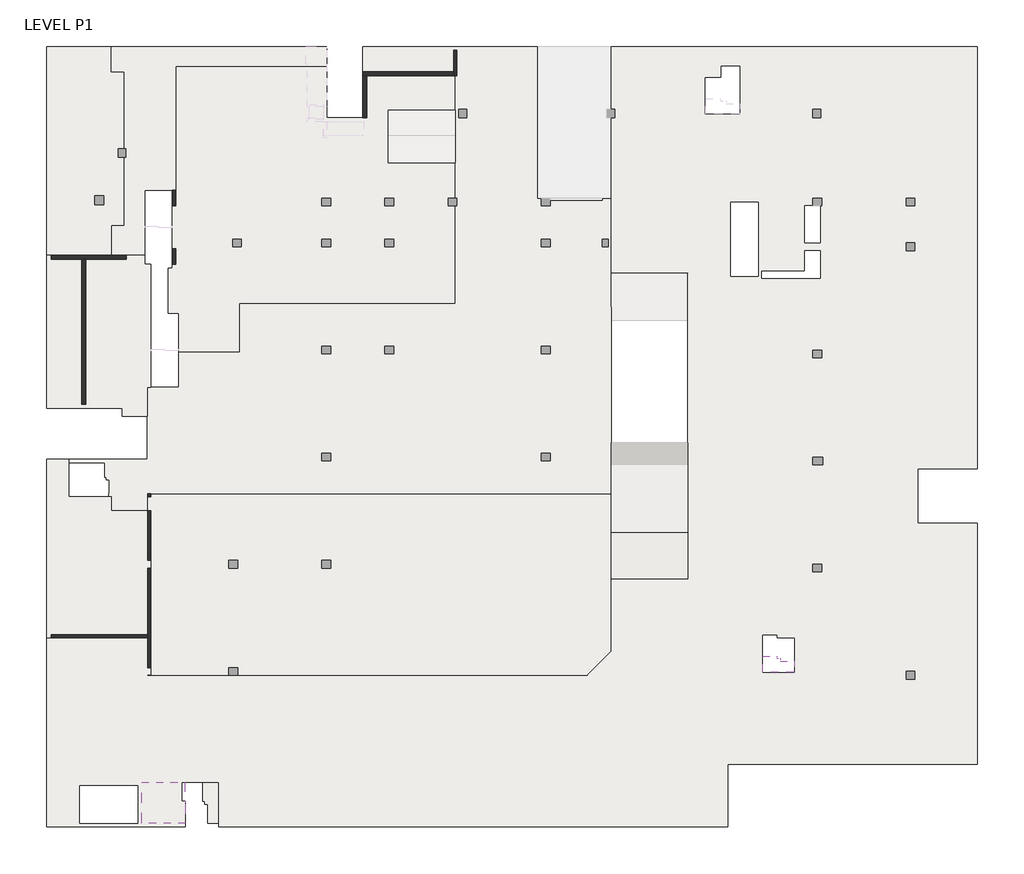
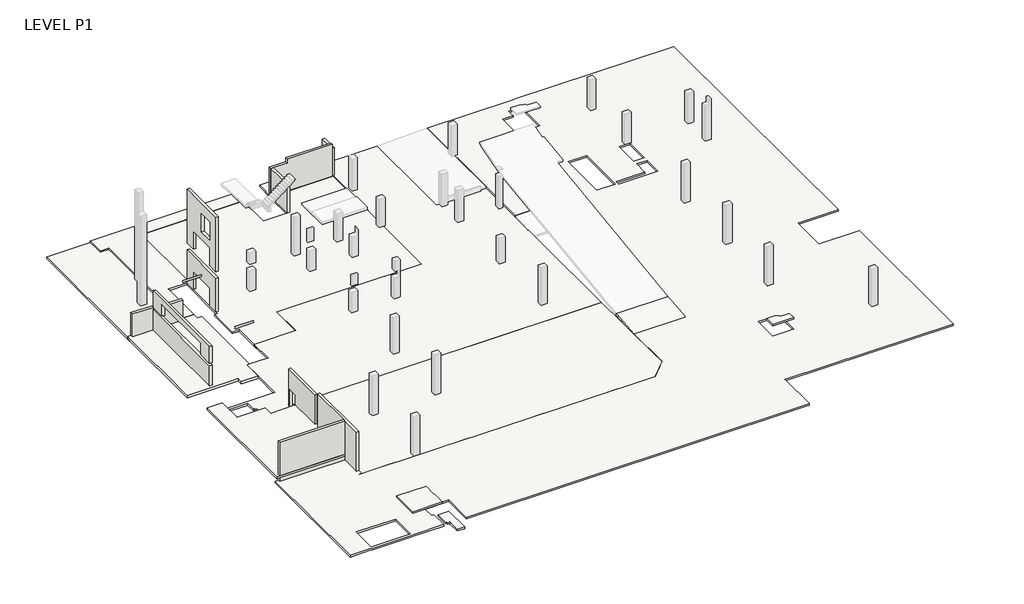
# One storey, part 1 of 2: 11 slabs, 11 walls.
"""IFC4 building model written with IfcOpenShell, lengths in millimetres."""

from ifc_helpers import new_model, si_unit, frame, origin, place, context, project, spatial, polyline, outline, extrude, faceted_brep, element, save

model = new_model("IFC4")

# Units and contexts
model_context = context("Model", 3, world=origin())
ifc_project = project(units=[si_unit("LENGTHUNIT", "METRE", prefix="MILLI")], contexts=[model_context])

# Site, building, storey
site = spatial("IfcSite", under=ifc_project)
building = spatial("IfcBuilding", under=site)
storey = spatial("IfcBuildingStorey", under=building, Name="LEVEL P1", Elevation=-5400.0)

# Slabs
placement = place(None, origin())
element("IfcSlab", 1, ObjectType="200 SLAB", at=placement, inside=storey, context=model_context, shape_type="SweptSolid", body=[
    extrude(outline(polyline([(236628.4739802, 170358.2322067), (236628.4739802, 169513.2322067), (234188.4739802, 169513.2322067), (234188.4739802, 170738.2322067), (235288.4739802, 170738.2322067), (235288.4739802, 170613.2322067), (235528.4739802, 170613.2322067), (235528.4739802, 170358.2322067), (236628.4739802, 170358.2322067)])), frame((0.0, 0.0, -4000.0), z_axis=(0.0, 0.0, 1.0), x_axis=(1.0, 0.0, 0.0)), (0.0, 0.0, 1.0), 200.0),
])
element("IfcSlab", 2, ObjectType="200 SLAB", at=placement, inside=storey, context=model_context, shape_type="Brep", body=[
    faceted_brep([(251011.1491692, 181163.2322067, -5400.0), (251011.1491692, 162563.2318341, -5400.0), (251011.1491692, 162263.2318341, -5400.0), (231436.3204833, 162263.2318341, -5400.0), (231436.3204833, 157363.2318341, -5400.0), (231136.3204833, 157363.2318341, -5400.0), (191501.3204833, 157363.2318341, -5400.0), (191501.3204833, 157663.2318341, -5400.0), (191501.3204833, 160863.2318341, -5400.0), (188606.3204833, 160863.2318341, -5400.0), (188606.3204833, 159363.2318341, -5400.0), (188896.3204833, 159363.2318341, -5400.0), (188896.3204833, 157663.2318341, -5400.0), (188896.3204833, 157363.2318341, -5400.0), (185471.3204833, 157363.2318341, -5400.0), (185171.3204833, 157363.2318341, -5400.0), (180611.3204833, 157363.2318341, -5400.0), (180311.3204833, 157363.2318341, -5400.0), (178011.1491693, 157363.2318341, -5400.0), (178011.1491693, 157663.2318341, -5400.0), (178011.1491693, 172438.2318341, -5400.0), (178361.1491693, 172438.2318341, -5400.0), (186201.1489175, 172438.2318341, -5400.0), (186201.1489175, 169263.2322067, -5400.0), (220406.1491692, 169263.2322067, -5400.0), (222296.1491692, 171153.2322067, -5400.0), (222296.1491692, 176802.6490053, -5400.0), (228296.1491692, 176802.6490053, -5400.0), (228296.1491692, 200767.6490053, -5400.0), (222296.1491692, 200767.6490053, -5400.0), (222296.1491692, 201763.2322067, -5400.0), (222296.1491692, 206663.2322067, -5400.0), (222296.1491692, 218563.2318341, -5400.0), (232375.5971201, 218563.2318341, -5400.0), (232625.5971201, 218563.2318341, -5400.0), (251011.1491692, 218563.2318341, -5400.0), (251011.1491692, 218263.2318341, -5400.0), (251011.1491692, 194163.2322067, -5400.0), (251011.1491692, 185463.2318341, -5400.0), (250711.1491692, 185463.2318341, -5400.0), (246311.1491692, 185463.2318341, -5400.0), (246311.1491692, 181163.2322067, -5400.0), (250711.1491692, 181163.2322067, -5400.0), (230930.5971201, 217012.9612391, -5400.0), (230930.5971201, 216124.5274851, -5400.0), (229682.0250868, 216124.5274851, -5400.0), (229682.0250868, 213278.2318341, -5400.0), (232375.5971201, 213278.2318341, -5400.0), (232375.5971201, 217012.9612391, -5400.0), (233812.4721706, 206363.1983002, -5400.0), (231652.4721706, 206363.1983002, -5400.0), (231652.4721706, 200548.1983002, -5400.0), (233812.4721706, 200548.1983002, -5400.0), (237452.4721706, 200923.1983002, -5400.0), (234112.4721706, 200923.1983002, -5400.0), (234112.4721706, 200548.1983002, -5400.0), (234112.4721706, 200388.1983002, -5400.0), (238671.1491692, 200388.1983002, -5400.0), (238671.1491692, 202563.2318341, -5400.0), (238111.1491692, 202563.2318341, -5400.0), (237452.4721706, 202563.2318341, -5400.0), (237452.4721706, 206063.2322067, -5400.0), (237452.4721706, 203163.2318341, -5400.0), (238111.1491692, 203163.2318341, -5400.0), (238671.1491692, 203163.2318341, -5400.0), (238671.1491692, 206063.2322067, -5400.0), (185171.3204833, 160613.2318341, -5400.0), (180611.3204833, 160613.2318341, -5400.0), (180611.3204833, 157663.2318341, -5400.0), (185171.3204833, 157663.2318341, -5400.0), (234188.4739802, 169513.2322067, -5400.0), (236628.4739802, 169513.2322067, -5400.0), (236628.4739802, 172018.2322067, -5400.0), (236628.4739802, 172153.188445, -5400.0), (235288.4739802, 172153.188445, -5400.0), (235288.4739802, 172398.2322067, -5400.0), (234188.4739802, 172398.2322067, -5400.0), (251011.1491692, 162263.2318341, -5200.0), (251011.1491692, 162563.2318341, -5200.0), (251011.1491692, 181163.2322067, -5200.0), (250711.1491692, 181163.2322067, -5200.0), (246311.1491692, 181163.2322067, -5200.0), (246311.1491692, 185463.2318341, -5200.0), (250711.1491692, 185463.2318341, -5200.0), (251011.1491692, 185463.2318341, -5200.0), (251011.1491692, 194163.2322067, -5200.0), (251011.1491692, 218263.2318341, -5200.0), (251011.1491692, 218563.2318341, -5200.0), (232625.5971201, 218563.2318341, -5200.0), (232375.5971201, 218563.2318341, -5200.0), (222296.1491692, 218563.2318341, -5200.0), (222296.1491692, 200767.6490053, -5200.0), (228296.1491692, 200767.6490053, -5200.0), (228296.1491692, 176802.6490053, -5200.0), (222296.1491692, 176802.6490053, -5200.0), (222296.1491692, 171153.2322067, -5200.0), (220406.1491692, 169263.2322067, -5200.0), (186201.1489175, 169263.2322067, -5200.0), (186201.1489175, 169863.2322067, -5200.0), (186201.1489175, 172438.2318341, -5200.0), (185951.1489175, 172438.2318341, -5200.0), (178361.1491693, 172438.2318341, -5200.0), (178011.1491693, 172438.2318341, -5200.0), (178011.1491693, 157663.2318341, -5200.0), (178011.1491693, 157363.2318341, -5200.0), (180311.3204833, 157363.2318341, -5200.0), (180611.3204833, 157363.2318341, -5200.0), (185171.3204833, 157363.2318341, -5200.0), (185471.3204833, 157363.2318341, -5200.0), (188896.3204833, 157363.2318341, -5200.0), (188896.3204833, 157663.2318341, -5200.0), (188896.3204833, 159363.2318341, -5200.0), (188606.3204833, 159363.2318341, -5200.0), (188606.3204833, 160863.2318341, -5200.0), (191501.3204833, 160863.2318341, -5200.0), (191501.3204833, 157663.2318341, -5200.0), (191501.3204833, 157363.2318341, -5200.0), (231136.3204833, 157363.2318341, -5200.0), (231436.3204833, 157363.2318341, -5200.0), (231436.3204833, 162263.2318341, -5200.0), (230930.5971201, 216124.5274851, -5200.0), (230930.5971201, 217012.9612391, -5200.0), (232375.5971201, 217012.9612391, -5200.0), (232375.5971201, 213278.2318341, -5200.0), (229682.0250868, 213278.2318341, -5200.0), (229682.0250868, 216124.5274851, -5200.0), (231652.4721706, 206363.1983002, -5200.0), (233812.4721706, 206363.1983002, -5200.0), (233812.4721706, 200548.1983002, -5200.0), (231652.4721706, 200548.1983002, -5200.0), (231652.4721706, 201773.2322067, -5200.0), (231652.4721706, 205138.2322067, -5200.0), (234112.4721706, 200923.1983002, -5200.0), (237452.4721706, 200923.1983002, -5200.0), (237452.4721706, 202563.2318341, -5200.0), (238671.1491692, 202563.2318341, -5200.0), (238671.1491692, 200388.1983002, -5200.0), (234112.4721706, 200388.1983002, -5200.0), (234112.4721706, 200548.1983002, -5200.0), (237452.4721706, 203163.2318341, -5200.0), (237452.4721706, 206063.2322067, -5200.0), (238671.1491692, 206063.2322067, -5200.0), (238671.1491692, 203163.2318341, -5200.0), (180611.3204833, 160613.2318341, -5200.0), (180971.3204833, 160613.2318341, -5200.0), (184791.3204833, 160613.2318341, -5200.0), (185171.3204833, 160613.2318341, -5200.0), (185171.3204833, 157663.2318341, -5200.0), (180611.3204833, 157663.2318341, -5200.0), (236628.4739802, 169513.2322067, -5200.0), (234188.4739802, 169513.2322067, -5200.0), (234188.4739802, 172398.2322067, -5200.0), (235288.4739802, 172398.2322067, -5200.0), (235288.4739802, 172153.188445, -5200.0), (236628.4739802, 172153.188445, -5200.0), (236628.4739802, 172018.2322067, -5200.0), (186201.1489175, 172438.2318341, -5244.7183046)], [[[0, 1, 2, 3, 4, 5, 6, 7, 8, 9, 10, 11, 12, 13, 14, 15, 16, 17, 18, 19, 20, 21, 22, 23, 24, 25, 26, 27, 28, 29, 30, 31, 32, 33, 34, 35, 36, 37, 38, 39, 40, 41, 42], [43, 44, 45, 46, 47, 48], [49, 50, 51, 52], [53, 54, 55, 56, 57, 58, 59, 60], [61, 62, 63, 64, 65], [66, 67, 68, 69], [70, 71, 72, 73, 74, 75, 76]], [[77, 78, 79, 80, 81, 82, 83, 84, 85, 86, 87, 88, 89, 90, 91, 92, 93, 94, 95, 96, 97, 98, 99, 100, 101, 102, 103, 104, 105, 106, 107, 108, 109, 110, 111, 112, 113, 114, 115, 116, 117, 118, 119], [120, 121, 122, 123, 124, 125], [126, 127, 128, 129, 130, 131], [132, 133, 134, 135, 136, 137, 138], [139, 140, 141, 142], [143, 144, 145, 146, 147, 148], [149, 150, 151, 152, 153, 154, 155]], [[2, 1, 0, 79, 78, 77]], [[18, 17, 16, 15, 14, 13, 109, 108, 107, 106, 105, 104]], [[26, 25, 95, 94]], [[27, 26, 94, 93]], [[28, 27, 93, 92]], [[23, 22, 156, 99, 98, 97]], [[3, 2, 77, 119]], [[4, 3, 119, 118]], [[20, 19, 18, 104, 103, 102]], [[24, 23, 97, 96]], [[25, 24, 96, 95]], [[22, 21, 20, 102, 101, 100, 99, 156]], [[71, 70, 150, 149]], [[6, 5, 4, 118, 117, 116]], [[8, 7, 6, 116, 115, 114]], [[9, 8, 114, 113]], [[10, 9, 113, 112]], [[11, 10, 112, 111]], [[13, 12, 11, 111, 110, 109]], [[154, 73, 72, 71, 149, 155]], [[74, 73, 154, 153]], [[75, 74, 153, 152]], [[76, 75, 152, 151]], [[70, 76, 151, 150]], [[29, 28, 92, 91]], [[32, 31, 30, 29, 91, 90]], [[35, 34, 33, 32, 90, 89, 88, 87]], [[44, 43, 121, 120]], [[45, 44, 120, 125]], [[46, 45, 125, 124]], [[47, 46, 124, 123]], [[48, 47, 123, 122]], [[43, 48, 122, 121]], [[38, 37, 36, 35, 87, 86, 85, 84]], [[40, 39, 38, 84, 83, 82]], [[41, 40, 82, 81]], [[0, 42, 41, 81, 80, 79]], [[66, 146, 145, 144, 143, 67]], [[67, 143, 148, 68]], [[68, 148, 147, 69]], [[146, 66, 69, 147]], [[49, 127, 126, 50]], [[50, 126, 131, 130, 129, 51]], [[51, 129, 128, 52]], [[127, 49, 52, 128]], [[53, 133, 132, 54]], [[54, 132, 138, 137, 56, 55]], [[56, 137, 136, 57]], [[57, 136, 135, 58]], [[58, 135, 134, 60, 59]], [[133, 53, 60, 134]], [[61, 140, 139, 62]], [[62, 139, 142, 64, 63]], [[64, 142, 141, 65]], [[140, 61, 65, 141]]]),
])
element("IfcSlab", 3, ObjectType="200 SLAB", at=placement, inside=storey, context=model_context, shape_type="Brep", body=[
    faceted_brep([(220406.1491692, 169263.2322067, -5400.0198364), (185951.1489175, 169263.2322067, -5400.0198364), (185951.1489175, 176564.5594325, -5502.8554311), (185951.1489175, 177663.2322067, -5518.3296955), (185951.1489175, 178263.2322067, -5526.7803997), (185951.1489175, 179364.2817511, -5542.2881398), (185951.1489175, 183463.2322067, -5600.0198364), (222296.1491692, 183463.2322067, -5600.0198364), (222296.1491692, 171153.2322067, -5426.6395547), (220406.1491692, 169263.2322067, -5200.0), (222296.1491692, 171153.2322067, -5226.6197183), (222296.1491692, 183463.2322067, -5400.0), (185951.1489175, 183463.2322067, -5400.0), (185951.1489175, 177663.2322067, -5318.3098592), (185951.1489175, 172438.2318341, -5244.7183046), (185951.1489175, 169263.2322067, -5200.0)], [[[0, 1, 2, 3, 4, 5, 6, 7, 8]], [[9, 10, 11, 12, 13, 14, 15]], [[8, 7, 11, 10]], [[0, 8, 10, 9]], [[1, 0, 9, 15]], [[6, 5, 4, 3, 2, 1, 15, 14, 13, 12]], [[7, 6, 12, 11]]]),
])
element("IfcSlab", 4, ObjectType="200 SLAB", at=placement, inside=storey, context=model_context, shape_type="Brep", body=[
    faceted_brep([(202803.192598, 212963.2318341, -5650.0), (202803.192598, 216583.2318341, -5650.0), (204552.1491692, 216583.2318341, -5650.0), (204852.1491692, 216583.2318341, -5650.0), (210456.1491692, 216583.2318341, -5650.0), (210456.1491692, 198003.2322067, -5650.0), (193556.1491692, 198003.2322067, -5650.0), (193556.1491692, 194203.2322067, -5650.0), (188661.1489175, 194203.2322067, -5650.0), (188361.1489175, 194203.2322067, -5650.0), (188361.1489175, 197657.6490083, -5650.0), (188361.1489175, 197658.2322067, -5650.0), (187556.1491692, 197658.2322067, -5650.0), (187556.1491692, 201193.2322067, -5650.0), (187861.1489205, 201193.2322067, -5650.0), (187861.1489205, 201493.1983002, -5650.0), (187861.1489205, 207308.1983002, -5650.0), (187861.1489205, 207608.1983002, -5650.0), (187561.1489205, 207608.1983002, -5650.0), (187561.1489205, 217623.2318341, -5650.0), (199694.4437068, 217623.2318341, -5650.0), (199994.4437068, 217623.2318341, -5650.0), (199994.4437068, 212963.2318341, -5650.0), (187556.1491692, 197658.2322067, -5450.0), (188361.1489175, 197658.2322067, -5450.0), (188361.1489175, 197657.6490083, -5450.0), (188361.1489175, 194603.2322067, -5450.0), (193156.1491692, 194603.2322067, -5450.0), (193156.1491692, 198403.2322067, -5450.0), (210056.1491692, 198403.2322067, -5450.0), (210056.1491692, 216283.2318341, -5450.0), (202803.192598, 216283.2318341, -5450.0), (202803.192598, 212963.2318341, -5450.0), (199994.4437068, 212963.2318341, -5450.0), (199994.4437068, 217023.2318341, -5450.0), (199694.4437068, 217023.2318341, -5450.0), (188161.1489205, 217023.2318341, -5450.0), (188161.1489205, 207308.2322067, -5450.0), (187861.1489205, 207308.2322067, -5450.0), (187861.1489205, 201493.1983002, -5450.0), (187861.1489205, 201193.2322067, -5450.0), (187556.1491692, 201193.2322067, -5450.0), (202803.192598, 216283.2318341, -5600.0), (202803.192598, 216583.2318341, -5600.0), (204552.1491692, 216583.2318341, -5600.0), (204852.1491692, 216583.2318341, -5600.0), (210456.1491692, 216583.2318341, -5600.0), (210456.1491692, 198003.2322067, -5600.0), (193556.1491692, 198003.2322067, -5600.0), (193556.1491692, 194203.2322067, -5600.0), (188361.1489175, 194203.2322067, -5600.0), (188361.1489175, 194603.2322067, -5600.0), (187861.1489205, 207308.2322067, -5600.0), (187861.1489205, 207608.1983002, -5600.0), (187561.1489205, 217623.2318341, -5600.0), (199694.4437068, 217623.2318341, -5600.0), (199994.4437068, 217623.2318341, -5600.0), (199994.4437068, 217023.2318341, -5600.0), (188161.1489205, 217023.2318341, -5600.0), (187561.1489205, 207608.1983002, -5600.0), (188161.1489205, 207308.2322067, -5600.0), (193156.1491692, 194603.2322067, -5600.0), (210056.1491692, 216283.2318341, -5600.0), (210056.1491692, 198403.2322067, -5600.0), (193156.1491692, 198403.2322067, -5600.0)], [[[0, 1, 2, 3, 4, 5, 6, 7, 8, 9, 10, 11, 12, 13, 14, 15, 16, 17, 18, 19, 20, 21, 22]], [[23, 24, 25, 26, 27, 28, 29, 30, 31, 32, 33, 34, 35, 36, 37, 38, 39, 40, 41]], [[1, 0, 32, 31, 42, 43]], [[4, 3, 2, 1, 43, 44, 45, 46]], [[5, 4, 46, 47]], [[6, 5, 47, 48]], [[7, 6, 48, 49]], [[9, 8, 7, 49, 50]], [[11, 10, 9, 50, 51, 26, 25, 24]], [[12, 11, 24, 23]], [[17, 16, 15, 14, 40, 39, 38, 52, 53]], [[21, 20, 19, 54, 55, 56]], [[22, 21, 56, 57, 34, 33]], [[0, 22, 33, 32]], [[13, 12, 23, 41]], [[14, 13, 41, 40]], [[58, 57, 56, 55, 54, 59, 53, 52, 60]], [[61, 51, 50, 49, 48, 47, 46, 45, 44, 43, 42, 62, 63, 64]], [[60, 52, 38, 37]], [[57, 58, 36, 35, 34]], [[58, 60, 37, 36]], [[51, 61, 27, 26]], [[61, 64, 28, 27]], [[64, 63, 29, 28]], [[63, 62, 30, 29]], [[62, 42, 31, 30]], [[18, 17, 53, 59]], [[19, 18, 59, 54]]]),
])
element("IfcSlab", 5, ObjectType="200 SLAB", at=placement, inside=storey, context=model_context, shape_type="Brep", body=[
    faceted_brep([(183697.3313273, 218563.2318341, -5765.0), (183697.3313273, 218263.2318341, -5765.0), (183697.3313273, 217193.2318341, -5765.0), (184697.3313273, 217193.2318341, -5765.0), (184697.3313273, 203922.2325529, -5765.0), (183716.1489175, 203922.2325529, -5765.0), (183716.1489175, 201882.2325529, -5765.0), (178361.1491693, 201882.2325529, -5765.0), (178011.1491693, 201882.2325529, -5765.0), (178011.1491693, 218263.2318341, -5765.0), (178011.1491693, 218563.2318341, -5765.0), (178011.1491693, 218563.2318341, -5565.0), (178011.1491693, 218263.2318341, -5565.0), (178011.1491693, 202193.1983002, -5565.0), (178361.1491693, 202193.1983002, -5565.0), (183116.1489175, 202193.1983002, -5565.0), (183116.1489175, 204522.2325529, -5565.0), (184097.3313273, 204522.2325529, -5565.0), (184097.3313273, 216593.2318341, -5565.0), (183097.3313273, 216593.2318341, -5565.0), (183097.3313273, 218563.2318341, -5565.0), (183697.3313273, 218563.2318341, -5600.0), (183697.3313273, 217193.2318341, -5600.0), (184697.3313273, 217193.2318341, -5600.0), (184697.3313273, 203922.2325529, -5600.0), (183716.1489175, 203922.2325529, -5600.0), (183716.1489175, 202193.1983002, -5600.0), (183716.1489175, 202193.1983002, -5700.0), (183716.1489175, 201882.2325529, -5700.0), (178011.1491693, 201882.2325529, -5700.0), (178011.1491693, 202193.1983002, -5700.0), (183097.3313273, 218563.2318341, -5600.0), (183116.1489175, 202193.1983002, -5600.0), (184097.3313273, 204522.2325529, -5600.0), (183116.1489175, 204522.2325529, -5600.0), (183097.3313273, 216593.2318341, -5600.0), (184097.3313273, 216593.2318341, -5600.0)], [[[0, 1, 2, 3, 4, 5, 6, 7, 8, 9, 10]], [[11, 12, 13, 14, 15, 16, 17, 18, 19, 20]], [[2, 1, 0, 21, 22]], [[3, 2, 22, 23]], [[4, 3, 23, 24]], [[5, 4, 24, 25]], [[6, 5, 25, 26, 27, 28]], [[8, 7, 6, 28, 29]], [[10, 9, 8, 29, 30, 13, 12, 11]], [[0, 10, 11, 20, 31, 21]], [[27, 30, 29, 28]], [[30, 27, 26, 32, 15, 14, 13]], [[33, 34, 32, 26, 25, 24, 23, 22, 21, 31, 35, 36]], [[32, 34, 16, 15]], [[34, 33, 17, 16]], [[33, 36, 18, 17]], [[36, 35, 19, 18]], [[35, 31, 20, 19]]]),
])
element("IfcSlab", 6, ObjectType="200 SLAB", at=placement, inside=storey, context=model_context, shape_type="Brep", body=[
    faceted_brep([(222296.1491692, 207263.2322067, -5600.0), (222296.1491692, 183463.2322067, -5600.0), (186201.1489175, 183463.2322067, -5600.0), (186201.1489175, 181957.2325529, -5600.0), (182884.3204833, 181957.2325529, -5600.0), (182884.3204833, 183507.2325529, -5600.0), (182946.3204833, 183507.2325529, -5600.0), (182946.3204833, 184606.9170321, -5600.0), (182691.3204833, 184606.9170321, -5600.0), (182691.3204833, 184807.2325529, -5600.0), (182566.3204833, 184807.2325529, -5600.0), (182566.3204833, 185907.2325529, -5600.0), (179761.3204833, 185907.2325529, -5600.0), (179761.3204833, 186207.2325529, -5600.0), (185901.1489175, 186207.2325529, -5600.0), (185901.1489175, 189578.8314181, -5600.0), (185901.1489175, 191542.6490083, -5600.0), (185901.1489175, 191842.6490083, -5600.0), (185901.1489175, 191843.2322067, -5600.0), (186201.1489175, 191843.2322067, -5600.0), (186201.1489175, 191842.6490083, -5600.0), (188361.1489175, 191842.6490083, -5600.0), (188361.1489175, 194203.2322067, -5600.0), (188361.1489175, 194603.2322067, -5600.0), (193156.1491692, 194603.2322067, -5600.0), (193156.1491692, 198403.2322067, -5600.0), (210056.1491692, 198403.2322067, -5600.0), (210056.1491692, 216283.2318341, -5600.0), (202803.192598, 216283.2318341, -5600.0), (202803.192598, 216583.2318341, -5600.0), (202803.192598, 218263.2318341, -5600.0), (202803.192598, 218563.2318341, -5600.0), (216496.1491692, 218563.2318341, -5600.0), (216496.1491692, 218263.2318341, -5600.0), (216496.1491692, 207263.2322067, -5600.0), (222296.1491692, 183463.2322067, -5400.0), (222296.1491692, 207263.2322067, -5400.0), (216496.1491692, 207263.2322067, -5400.0), (216496.1491692, 218263.2318341, -5400.0), (216496.1491692, 218563.2318341, -5400.0), (202803.192598, 218563.2318341, -5400.0), (202803.192598, 218263.2318341, -5400.0), (202803.192598, 216283.2318341, -5400.0), (210056.1491692, 216283.2318341, -5400.0), (210056.1491692, 198403.2322067, -5400.0), (193156.1491692, 198403.2322067, -5400.0), (193156.1491692, 194603.2322067, -5400.0), (188361.1489175, 194603.2322067, -5400.0), (188361.1489175, 191842.6490083, -5400.0), (186201.1489175, 191842.6490083, -5400.0), (186201.1489175, 191843.2322067, -5400.0), (185901.1489175, 191843.2322067, -5400.0), (185901.1489175, 191842.6490083, -5400.0), (185901.1489175, 191542.6490083, -5400.0), (185901.1489175, 189578.8314181, -5400.0), (185901.1489175, 186207.2325529, -5400.0), (179761.3204833, 186207.2325529, -5400.0), (179761.3204833, 185907.2325529, -5400.0), (182566.3204833, 185907.2325529, -5400.0), (182566.3204833, 184807.2325529, -5400.0), (182691.3204833, 184807.2325529, -5400.0), (182691.3204833, 184606.9170321, -5400.0), (182946.3204833, 184606.9170321, -5400.0), (182946.3204833, 183507.2325529, -5400.0), (182884.3204833, 183507.2325529, -5400.0), (182884.3204833, 183257.2325529, -5400.0), (182884.3204833, 181957.2325529, -5400.0), (183084.3204833, 181957.2325529, -5400.0), (185951.1489175, 181957.2325529, -5400.0), (186201.1489175, 181957.2325529, -5400.0), (186201.1489175, 182167.2325529, -5400.0), (186201.1489175, 183267.2325529, -5400.0), (186201.1489175, 183463.2322067, -5400.0), (188361.1489175, 194603.2322067, -5450.0), (193156.1491692, 194603.2322067, -5450.0), (193156.1491692, 198403.2322067, -5450.0), (210056.1491692, 198403.2322067, -5450.0), (210056.1491692, 216283.2318341, -5450.0), (202803.192598, 216283.2318341, -5450.0)], [[[0, 1, 2, 3, 4, 5, 6, 7, 8, 9, 10, 11, 12, 13, 14, 15, 16, 17, 18, 19, 20, 21, 22, 23, 24, 25, 26, 27, 28, 29, 30, 31, 32, 33, 34]], [[35, 36, 37, 38, 39, 40, 41, 42, 43, 44, 45, 46, 47, 48, 49, 50, 51, 52, 53, 54, 55, 56, 57, 58, 59, 60, 61, 62, 63, 64, 65, 66, 67, 68, 69, 70, 71, 72]], [[1, 0, 36, 35]], [[2, 1, 35, 72]], [[14, 13, 56, 55]], [[18, 17, 16, 15, 14, 55, 54, 53, 52, 51]], [[47, 73, 23, 22, 21, 48]], [[56, 13, 12, 57]], [[3, 2, 72, 71, 70, 69]], [[4, 3, 69, 68, 67, 66]], [[5, 4, 66, 65, 64]], [[34, 33, 32, 39, 38, 37]], [[0, 34, 37, 36]], [[24, 23, 73, 47, 46, 74]], [[25, 24, 74, 46, 45, 75]], [[26, 25, 75, 45, 44, 76]], [[27, 26, 76, 44, 43, 77]], [[32, 31, 40, 39]], [[28, 27, 77, 43, 42, 78]], [[31, 30, 29, 28, 78, 42, 41, 40]], [[18, 51, 50, 19]], [[63, 6, 5, 64]], [[9, 8, 61, 60]], [[12, 11, 58, 57]], [[6, 63, 62, 7]], [[61, 8, 7, 62]], [[9, 60, 59, 10]], [[58, 11, 10, 59]], [[49, 20, 19, 50]], [[20, 49, 48, 21]]]),
    faceted_brep([(183097.3313273, 218563.2318341, -5600.0), (183697.3313273, 218563.2318341, -5600.0), (193106.1491692, 218563.2318341, -5600.0), (199994.4437068, 218563.2318341, -5600.0), (199994.4437068, 218263.2318341, -5600.0), (199994.4437068, 217623.2318341, -5600.0), (199994.4437068, 217023.2318341, -5600.0), (188161.1489205, 217023.2318341, -5600.0), (188161.1489205, 207608.1983002, -5600.0), (188161.1489205, 207308.2322067, -5600.0), (187861.1489205, 207308.2280718, -5600.0), (185701.1489205, 207308.1983002, -5600.0), (185701.1489205, 202193.1983002, -5600.0), (185701.1489205, 202182.2325529, -5600.0), (183116.1489175, 202182.2325529, -5600.0), (183116.1489175, 202193.1983002, -5600.0), (183116.1489175, 204522.2325529, -5600.0), (184097.3313273, 204522.2325529, -5600.0), (184097.3313273, 216593.2318341, -5600.0), (183097.3313273, 216593.2318341, -5600.0), (199994.4437068, 218563.2318341, -5400.0), (193106.1491692, 218563.2318341, -5400.0), (183097.3313273, 218563.2318341, -5400.0), (183097.3313273, 216593.2318341, -5400.0), (184097.3313273, 216593.2318341, -5400.0), (184097.3313273, 204522.2325529, -5400.0), (183116.1489175, 204522.2325529, -5400.0), (183116.1489175, 202193.1983002, -5400.0), (183116.1489175, 202182.2325529, -5400.0), (185701.1489205, 202182.2325529, -5400.0), (185701.1489205, 207308.1983002, -5400.0), (188161.1489205, 207308.2322067, -5400.0), (188161.1489205, 207608.1983002, -5400.0), (188161.1489205, 217023.2318341, -5400.0), (199694.4437068, 217023.2318341, -5400.0), (199994.4437068, 217023.2318341, -5400.0), (199994.4437068, 218263.2318341, -5400.0), (183097.3313273, 218563.2318341, -5565.0), (188161.1489205, 207308.2322067, -5450.0), (199994.4437068, 217023.2318341, -5450.0), (188161.1489205, 217023.2318341, -5450.0), (183116.1489175, 204522.2325529, -5565.0), (184097.3313273, 204522.2325529, -5565.0), (184097.3313273, 216593.2318341, -5565.0), (183097.3313273, 216593.2318341, -5565.0)], [[[0, 1, 2, 3, 4, 5, 6, 7, 8, 9, 10, 11, 12, 13, 14, 15, 16, 17, 18, 19]], [[20, 21, 22, 23, 24, 25, 26, 27, 28, 29, 30, 31, 32, 33, 34, 35, 36]], [[3, 2, 1, 0, 37, 22, 21, 20]], [[9, 38, 31, 30, 11, 10]], [[6, 5, 4, 3, 20, 36, 35, 39]], [[7, 6, 39, 35, 34, 33, 40]], [[9, 8, 7, 40, 33, 32, 31, 38]], [[14, 13, 29, 28]], [[16, 15, 14, 28, 27, 26, 41]], [[17, 16, 41, 26, 25, 42]], [[18, 17, 42, 25, 24, 43]], [[19, 18, 43, 24, 23, 44]], [[0, 19, 44, 23, 22, 37]], [[11, 30, 29, 13, 12]]]),
])
element("IfcSlab", 7, ObjectType="200 SLAB", at=placement, inside=storey, context=model_context, shape_type="SweptSolid", body=[
    extrude(outline(polyline([(185471.3204833, 157663.2318341), (185471.3204833, 160863.2318341), (188861.3204833, 160863.2318341), (188861.3204833, 159363.2318341), (188871.3204833, 159363.2318341), (188871.3204833, 159163.2318341), (188896.3204833, 159163.2318341), (188896.3204833, 157663.2318341), (185471.3204833, 157663.2318341)])), frame((0.0, 0.0, -2800.0), z_axis=(0.0, 0.0, 1.0), x_axis=(1.0, 0.0, 0.0)), (0.0, 0.0, 1.0), 200.0),
])
element("IfcSlab", 8, ObjectType="200 SLAB", at=placement, inside=storey, context=model_context, shape_type="SweptSolid", body=[
    extrude(outline(polyline([(191501.3204833, 160863.2318341), (191501.3204833, 157663.3497398), (190656.3204833, 157663.3497398), (190656.3204833, 159163.2318341), (190401.3204833, 159163.2318341), (190401.3204833, 159363.2318341), (190276.3204833, 159363.2318341), (190276.3204833, 160863.2318341), (191501.3204833, 160863.2318341)])), frame((0.0, 0.0, -6800.0), z_axis=(0.0, 0.0, 1.0), x_axis=(1.0, 0.0, 0.0)), (0.0, 0.0, 1.0), 200.0),
])
element("IfcSlab", 9, ObjectType="225 SLAB", at=placement, inside=storey, context=model_context, shape_type="Brep", body=[
    faceted_brep([(228296.1491692, 176802.6490053, -5425.6377011), (222296.1491692, 176802.6490053, -5425.6377011), (222296.1491692, 180452.6490053, -5150.6377011), (228296.1491692, 180452.6490053, -5150.6377011), (228296.1491692, 179797.4766746, -5200.0), (228296.1491692, 177142.93122, -5400.0), (228296.1491692, 176802.6490053, -5200.0), (228296.1491692, 180452.6490053, -4925.0), (222296.1491692, 180452.6490053, -4925.0), (222296.1491692, 176802.6490053, -5200.0), (228296.1491692, 176802.6490053, -5400.0), (222296.1491692, 176802.6490053, -5400.0)], [[[0, 1, 2, 3, 4, 5]], [[6, 7, 8, 9]], [[7, 6, 10, 0, 5, 4, 3]], [[1, 0, 10, 6, 9, 11]], [[2, 1, 11, 9, 8]], [[3, 2, 8, 7]]]),
])
element("IfcSlab", 10, ObjectType="275 TRANSFER SLAB", at=placement, inside=storey, context=model_context, shape_type="Brep", body=[
    faceted_brep([(186201.1489175, 172188.2318341, -4775.0), (185951.1489175, 172188.2318341, -4775.0), (178361.1491693, 172188.2318341, -4775.0), (178011.1491693, 172188.2318341, -4775.0), (178011.1491693, 186207.2325529, -4775.0), (178361.1491693, 186207.2325529, -4775.0), (179761.3204833, 186207.2325529, -4775.0), (179761.3204833, 185907.2325529, -4775.0), (179761.3204833, 183507.2325529, -4775.0), (179761.3204833, 183257.2325529, -4775.0), (182884.3204833, 183257.2325529, -4775.0), (183084.3204833, 183257.2325529, -4775.0), (183084.3204833, 182157.2325529, -4775.0), (185951.1489175, 182157.2325529, -4775.0), (186201.1489175, 182157.2325529, -4775.0), (186201.1489175, 178263.2322067, -4775.0), (186201.1489175, 177663.2322067, -4775.0), (186201.1489175, 172188.2318341, -4500.0), (186201.1489175, 177663.2322067, -4500.0), (186201.1489175, 178263.2322067, -4500.0), (186201.1489175, 182157.2325529, -4500.0), (185951.1489175, 182157.2325529, -4500.0), (183084.3204833, 182157.2325529, -4500.0), (183084.3204833, 183257.2325529, -4500.0), (179761.3204833, 183257.2325529, -4500.0), (179761.3204833, 183507.2325529, -4500.0), (179761.3204833, 185907.2325529, -4500.0), (179761.3204833, 186207.2325529, -4500.0), (178361.1491693, 186207.2325529, -4500.0), (178011.1491693, 186207.2325529, -4500.0), (178011.1491693, 172188.2318341, -4500.0), (178361.1491693, 172188.2318341, -4500.0), (185951.1489175, 172188.2318341, -4500.0)], [[[0, 1, 2, 3, 4, 5, 6, 7, 8, 9, 10, 11, 12, 13, 14, 15, 16]], [[17, 18, 19, 20, 21, 22, 23, 24, 25, 26, 27, 28, 29, 30, 31, 32]], [[3, 2, 1, 0, 17, 32, 31, 30]], [[4, 3, 30, 29]], [[6, 5, 4, 29, 28, 27]], [[9, 8, 7, 6, 27, 26, 25, 24]], [[11, 10, 9, 24, 23]], [[0, 16, 15, 14, 20, 19, 18, 17]], [[12, 11, 23, 22]], [[14, 13, 12, 22, 21, 20]]]),
])
element("IfcSlab", 11, ObjectType="300 TRANSFER SLAB", at=placement, inside=storey, context=model_context, shape_type="Brep", body=[
    faceted_brep([(186201.1489175, 201493.1983002, -5700.0), (186201.1489175, 201193.1983002, -5700.0), (186201.1489175, 197657.6490083, -5700.0), (186201.1489175, 191842.6490083, -5700.0), (186201.1489175, 189878.8314181, -5700.0), (186201.1489175, 189578.8314181, -5700.0), (185901.1489175, 189578.8314181, -5700.0), (184256.1489175, 189578.8314181, -5700.0), (183961.3204833, 189578.8314181, -5700.0), (183961.3204833, 190207.2325529, -5700.0), (183956.1489175, 190207.2325529, -5700.0), (178011.1491693, 190207.2325529, -5700.0), (178011.1491693, 190507.2325529, -5700.0), (178011.1491693, 201882.2325529, -5700.0), (178011.1491693, 202193.1983002, -5700.0), (183716.1489175, 202193.1983002, -5700.0), (185401.1489205, 202193.1983002, -5700.0), (185701.1489205, 202193.1983002, -5700.0), (185701.1489205, 201493.1983002, -5700.0), (178011.1491693, 202193.1983002, -5400.0), (178011.1491693, 201882.2325529, -5400.0), (178011.1491693, 190507.2325529, -5400.0), (178011.1491693, 190207.2325529, -5400.0), (183956.1489175, 190207.2325529, -5400.0), (183961.3204833, 190207.2325529, -5400.0), (183961.3204833, 189578.8314181, -5400.0), (184256.1489175, 189578.8314181, -5400.0), (185901.1489175, 189578.8314181, -5400.0), (185901.1489175, 191843.2322067, -5400.0), (186201.1489175, 191843.2322067, -5400.0), (186201.1489175, 197657.6490083, -5400.0), (186201.1489175, 201193.1983002, -5400.0), (186201.1489175, 201493.1983002, -5400.0), (185701.1489205, 201493.1983002, -5400.0), (185701.1489205, 202182.2325529, -5400.0), (184256.1489175, 202182.2325529, -5400.0), (183116.1489175, 202182.2325529, -5400.0), (183116.1489175, 202193.1983002, -5400.0), (178361.1491693, 202193.1983002, -5400.0), (186201.1489175, 191843.2322067, -5600.0), (186201.1489175, 191842.6490083, -5600.0), (186201.1489175, 189578.8314181, -5600.0), (185901.1489175, 189578.8314181, -5600.0), (178011.1491693, 202193.1983002, -5565.0), (183116.1489175, 202193.1983002, -5565.0), (183116.1489175, 202193.1983002, -5600.0), (183716.1489175, 202193.1983002, -5600.0), (185401.1489205, 202193.1983002, -5600.0), (185701.1489205, 202193.1983002, -5600.0), (185701.1489205, 202182.2325529, -5600.0), (185901.1489175, 191843.2322067, -5600.0), (183116.1489175, 202182.2325529, -5600.0)], [[[0, 1, 2, 3, 4, 5, 6, 7, 8, 9, 10, 11, 12, 13, 14, 15, 16, 17, 18]], [[19, 20, 21, 22, 23, 24, 25, 26, 27, 28, 29, 30, 31, 32, 33, 34, 35, 36, 37, 38]], [[5, 4, 3, 2, 1, 0, 32, 31, 30, 29, 39, 40, 41]], [[6, 5, 41, 42, 27, 26, 25, 8, 7]], [[22, 11, 10, 9, 24, 23]], [[14, 13, 12, 11, 22, 21, 20, 19, 43]], [[17, 16, 15, 14, 43, 19, 38, 37, 44, 45, 46, 47, 48]], [[24, 9, 8, 25]], [[18, 17, 48, 49, 34, 33]], [[0, 18, 33, 32]], [[39, 50, 42, 41, 40]], [[51, 49, 48, 47, 46, 45]], [[50, 28, 27, 42]], [[50, 39, 29, 28]], [[49, 51, 36, 35, 34]], [[36, 51, 45, 44, 37]]]),
])

# Walls
element("IfcWall", 12, ObjectType="200 WALL BEAM", at=placement, inside=storey, context=model_context, shape_type="Brep", body=[
    faceted_brep([(183084.3204833, 181957.2325529, -5400.0), (183084.3204833, 182157.2325529, -5400.0), (183084.3204833, 183257.2325529, -5400.0), (183084.3204833, 183257.2325529, -4775.0), (183084.3204833, 182157.2325529, -4775.0), (183084.3204833, 181957.2325529, -4775.0), (182884.3204833, 183257.2325529, -5400.0), (182884.3204833, 181957.2325529, -5400.0), (182884.3204833, 181957.2325529, -4775.0), (182884.3204833, 183257.2325529, -4775.0)], [[[0, 1, 2, 3, 4, 5]], [[6, 7, 8, 9]], [[2, 1, 0, 7, 6]], [[2, 6, 9, 3]], [[7, 0, 5, 8]], [[4, 3, 9, 8, 5]]]),
])
element("IfcWall", 13, ObjectType="200 WALL BEAM", at=placement, inside=storey, context=model_context, shape_type="SweptSolid", body=[
    extrude(outline(polyline([(183084.3204833, 182157.2325529), (185951.1489175, 182157.2325529), (185951.1489175, 181957.2325529), (183084.3204833, 181957.2325529), (183084.3204833, 182157.2325529)])), frame((0.0, 0.0, -5400.0), z_axis=(0.0, 0.0, 1.0), x_axis=(1.0, 0.0, 0.0)), (0.0, 0.0, 1.0), 625.0),
])
element("IfcWall", 14, ObjectType="250 WALL", at=placement, inside=storey, context=model_context, shape_type="Brep", body=[
    faceted_brep([(210196.1491692, 216283.2318341, -5400.0), (210196.1491692, 218263.2318341, -5400.0), (210196.1491692, 218263.2318341, -2018.6766939), (210196.1491692, 216283.2318341, -1975.6992059), (209946.1491692, 216283.2318341, -5400.0), (209946.1491692, 216283.2318341, -1975.6992059), (209946.1491692, 218263.2318341, -2018.6766939), (209946.1491692, 218263.2318341, -5400.0), (209946.1491692, 216583.2318341, -5400.0)], [[[0, 1, 2, 3]], [[4, 5, 6, 7, 8]], [[1, 0, 4, 8, 7]], [[2, 1, 7, 6]], [[0, 3, 5, 4]], [[3, 2, 6, 5]]]),
])
element("IfcWall", 15, ObjectType="250 WALL", at=placement, inside=storey, context=model_context, shape_type="Brep", body=[
    faceted_brep([(186201.1489175, 178263.2322067, -5400.0), (186201.1489175, 181957.2325529, -5400.0), (186201.1489175, 182167.2325529, -5400.0), (186201.1489175, 182167.2325529, -3250.0), (186201.1489175, 183267.2325529, -3250.0), (186201.1489175, 183267.2325529, -5400.0), (186201.1489175, 183463.2322067, -5400.0), (186201.1489175, 183507.2325529, -5400.0), (186201.1489175, 183507.2325529, -860.0), (186201.1489175, 178963.2322067, -860.0), (186201.1489175, 178263.2322067, -860.0), (186201.1489175, 178263.2322067, -4500.0), (186201.1489175, 182157.2325529, -4500.0), (186201.1489175, 182157.2325529, -4775.0), (186201.1489175, 178263.2322067, -4775.0), (185951.1489175, 182167.2325529, -5400.0), (185951.1489175, 182157.2325529, -5400.0), (185951.1489175, 181957.2325529, -5400.0), (185951.1489175, 178263.2322067, -5400.0), (185951.1489175, 178263.2322067, -4885.0), (185951.1489175, 178263.2322067, -4775.0), (185951.1489175, 179363.2322067, -4775.0), (185951.1489175, 181957.2325529, -4775.0), (185951.1489175, 182157.2325529, -4775.0), (185951.1489175, 182157.2325529, -4500.0), (185951.1489175, 178263.2322067, -4500.0), (185951.1489175, 178263.2322067, -1630.0), (185951.1489175, 178263.2322067, -860.0), (185951.1489175, 178963.2322067, -860.0), (185951.1489175, 183507.2325529, -860.0), (185951.1489175, 183507.2325529, -5400.0), (185951.1489175, 183267.2325529, -5400.0), (185951.1489175, 183267.2325529, -3250.0), (185951.1489175, 182167.2325529, -3250.0)], [[[0, 1, 2, 3, 4, 5, 6, 7, 8, 9, 10, 11, 12, 13, 14]], [[15, 16, 17, 18, 19, 20, 21, 22, 23, 24, 25, 26, 27, 28, 29, 30, 31, 32, 33]], [[0, 18, 17, 16, 15, 2, 1]], [[7, 6, 5, 31, 30]], [[18, 0, 14, 20, 19]], [[10, 27, 26, 25, 11]], [[33, 3, 2, 15]], [[3, 33, 32, 4]], [[4, 32, 31, 5]], [[7, 30, 29, 8]], [[10, 9, 8, 29, 28, 27]], [[13, 23, 22, 21, 20, 14]], [[24, 12, 11, 25]], [[23, 13, 12, 24]]]),
])
element("IfcWall", 16, ObjectType="250 WALL", at=placement, inside=storey, context=model_context, shape_type="Brep", body=[
    faceted_brep([(186201.1489175, 177663.2322067, -4775.0), (186201.1489175, 172188.2318341, -4775.0), (186201.1489175, 172188.2318341, -4500.0), (186201.1489175, 177663.2322067, -4500.0), (186201.1489175, 177663.2322067, -860.0), (186201.1489175, 177663.2322067, -380.0), (186201.1489175, 170563.2322067, -380.0), (186201.1489175, 169863.2322067, -380.0), (186201.1489175, 169863.2322067, -5200.0), (186201.1489175, 172438.2318341, -5200.0), (186201.1489175, 172438.2318341, -5244.7183046), (186201.1489175, 177663.2322067, -5318.3098592), (185951.1489175, 172188.2318341, -4775.0), (185951.1489175, 172438.2318341, -4775.0), (185951.1489175, 176563.2322067, -4775.0), (185951.1489175, 177663.2322067, -4775.0), (185951.1489175, 177663.2322067, -4885.0), (185951.1489175, 177663.2322067, -5318.3098592), (185951.1489175, 172438.2318341, -5244.7183046), (185951.1489175, 172438.2318341, -5200.0), (185951.1489175, 172188.2318341, -5200.0), (185951.1489175, 169863.2322067, -5200.0), (185951.1489175, 169863.2322067, -1630.0), (185951.1489175, 169863.2322067, -380.0), (185951.1489175, 170563.2322067, -380.0), (185951.1489175, 172188.2318341, -380.0), (185951.1489175, 172438.2318341, -380.0), (185951.1489175, 177663.2322067, -380.0), (185951.1489175, 177663.2322067, -860.0), (185951.1489175, 177663.2322067, -1630.0), (185951.1489175, 177663.2322067, -4500.0), (185951.1489175, 172438.2318341, -4500.0), (185951.1489175, 172188.2318341, -4500.0)], [[[0, 1, 2, 3, 4, 5, 6, 7, 8, 9, 10, 11]], [[12, 13, 14, 15, 16, 17, 18, 19, 20, 21, 22, 23, 24, 25, 26, 27, 28, 29, 30, 31, 32]], [[15, 0, 11, 17, 16]], [[3, 30, 29, 28, 27, 5, 4]], [[7, 23, 22, 21, 8]], [[12, 1, 0, 15, 14, 13]], [[2, 32, 31, 30, 3]], [[1, 12, 32, 2]], [[7, 6, 5, 27, 26, 25, 24, 23]], [[17, 11, 10, 18]], [[19, 9, 8, 21, 20]], [[9, 19, 18, 10]]]),
])
element("IfcWall", 17, ObjectType="250 WALL", at=placement, inside=storey, context=model_context, shape_type="SweptSolid", body=[
    extrude(outline(polyline([(178361.1491693, 172188.2318341), (178361.1491693, 172438.2318341), (185951.1489175, 172438.2318341), (185951.1489175, 172188.2318341), (178361.1491693, 172188.2318341)])), frame((0.0, 0.0, -5200.0), z_axis=(0.0, 0.0, 1.0), x_axis=(1.0, 0.0, 0.0)), (0.0, 0.0, 1.0), 425.0),
    extrude(outline(polyline([(185951.1489175, 172188.2318341), (178361.1491693, 172188.2318341), (178361.1491693, 172438.2318341), (185951.1489175, 172438.2318341), (185951.1489175, 172188.2318341)])), frame((0.0, 0.0, -4500.0), z_axis=(0.0, 0.0, 1.0), x_axis=(1.0, 0.0, 0.0)), (0.0, 0.0, 1.0), 4120.0),
])
element("IfcWall", 18, ObjectType="300 WALL", at=placement, inside=storey, context=model_context, shape_type="SweptSolid", body=[
    extrude(outline(polyline([(190507.2325529, -560.0), (201882.2325529, -560.0), (201882.2325529, -2600.0), (200082.2325529, -2600.0), (200082.2325529, -1200.0), (192307.2325529, -1200.0), (192307.2325529, -2600.0), (190507.2325529, -2600.0), (190507.2325529, -560.0)])), frame((180770.5317503, 0.0, 0.0), z_axis=(1.0, 0.0, 0.0), x_axis=(0.0, 1.0, 0.0)), (0.0, 0.0, 1.0), 300.0),
    extrude(outline(polyline([(180770.5317503, 190507.2325529), (180770.5317503, 201882.2325529), (181070.5317503, 201882.2325529), (181070.5317503, 190507.2325529), (180770.5317503, 190507.2325529)])), frame((0.0, 0.0, -5400.0), z_axis=(0.0, 0.0, 1.0), x_axis=(1.0, 0.0, 0.0)), (0.0, 0.0, 1.0), 2500.0),
])
element("IfcWall", 19, ObjectType="300 WALL", at=placement, inside=storey, context=model_context, shape_type="Brep", body=[
    faceted_brep([(209946.1491692, 216583.2318341, -5400.0), (202803.192598, 216583.2318341, -5400.0), (202803.192598, 216583.2318341, -1983.133955), (204687.7148824, 216583.2318341, -1983.133955), (204687.7148824, 216583.2318341, -1490.0), (209946.1491692, 216583.2318341, -1490.0), (202803.192598, 216283.2318341, -5400.0), (209946.1491692, 216283.2318341, -5400.0), (209946.1491692, 216283.2318341, -1975.6992059), (209946.1491692, 216283.2318341, -1490.0), (204687.7148824, 216283.2318341, -1490.0), (204687.7148824, 216283.2318341, -1976.7632877), (203103.192598, 216283.2318341, -1976.7632877), (202803.192598, 216283.2318341, -1976.7632877)], [[[0, 1, 2, 3, 4, 5]], [[6, 7, 8, 9, 10, 11, 12, 13]], [[1, 0, 7, 6]], [[1, 6, 13, 2]], [[9, 5, 4, 10]], [[0, 5, 9, 8, 7]], [[11, 3, 2, 13, 12]], [[3, 11, 10, 4]]]),
])
element("IfcWall", 20, ObjectType="300 WALL", at=placement, inside=storey, context=model_context, shape_type="Brep", body=[
    faceted_brep([(188161.1489205, 202718.2322067, -480.0), (188161.1489205, 202718.2322067, 1755.0), (188161.1489205, 206083.2322067, 1755.0), (188161.1489205, 206083.2322067, -480.0), (188161.1489205, 207308.1983002, -480.0), (188161.1489205, 207308.1983002, 5600.0), (188161.1489205, 207308.1983002, 6200.0), (188161.1489205, 201493.1983002, 6200.0), (188161.1489205, 201493.1983002, -480.0), (188161.1489205, 204400.0326131, 4905.0), (188161.1489205, 204400.0326131, 2670.0), (188161.1489205, 202710.0326131, 2670.0), (188161.1489205, 202710.0326131, 4905.0), (187861.1489205, 202718.2322067, 1755.0), (187861.1489205, 202718.2322067, -480.0), (187861.1489205, 201493.1983002, -480.0), (187861.1489205, 201493.1983002, 6200.0), (187861.1489205, 207308.1983002, 6200.0), (187861.1489205, 207308.1983002, -480.0), (187861.1489205, 206083.2322067, -480.0), (187861.1489205, 206083.2322067, 1755.0), (187861.1489205, 204400.0326131, 2670.0), (187861.1489205, 204400.0326131, 4905.0), (187861.1489205, 202710.0326131, 4905.0), (187861.1489205, 202710.0326131, 2670.0)], [[[0, 1, 2, 3, 4, 5, 6, 7, 8], [9, 10, 11, 12]], [[13, 14, 15, 16, 17, 18, 19, 20], [21, 22, 23, 24]], [[22, 21, 10, 9]], [[23, 22, 9, 12]], [[24, 23, 12, 11]], [[21, 24, 11, 10]], [[7, 16, 15, 8]], [[17, 6, 5, 4, 18]], [[13, 1, 0, 14]], [[1, 13, 20, 2]], [[2, 20, 19, 3]], [[7, 6, 17, 16]], [[0, 8, 15, 14]], [[4, 3, 19, 18]]]),
    faceted_brep([(188161.1489205, 202718.2322067, -5450.0), (188161.1489205, 202718.2322067, -3215.0), (188161.1489205, 206083.2322067, -3215.0), (188161.1489205, 206083.2322067, -5450.0), (188161.1489205, 207308.1983002, -5450.0), (188161.1489205, 207308.1983002, -5400.0), (188161.1489205, 207308.1983002, -1280.0), (188161.1489205, 201493.1983002, -1280.0), (188161.1489205, 201493.1983002, -5450.0), (187861.1489205, 202718.2322067, -3215.0), (187861.1489205, 202718.2322067, -5450.0), (187861.1489205, 201493.1983002, -5450.0), (187861.1489205, 201493.1983002, -1280.0), (187861.1489205, 207308.1983002, -1280.0), (187861.1489205, 207308.1983002, -5450.0), (187861.1489205, 206083.2322067, -5450.0), (187861.1489205, 206083.2322067, -3215.0)], [[[0, 1, 2, 3, 4, 5, 6, 7, 8]], [[9, 10, 11, 12, 13, 14, 15, 16]], [[8, 11, 10, 0]], [[14, 4, 3, 15]], [[11, 8, 7, 12]], [[4, 14, 13, 6, 5]], [[9, 1, 0, 10]], [[1, 9, 16, 2]], [[2, 16, 15, 3]], [[7, 6, 13, 12]]]),
])
element("IfcWall", 21, ObjectType="300 WALL", at=placement, inside=storey, context=model_context, shape_type="Brep", body=[
    faceted_brep([(202803.192598, 216283.2318341, -5457.2089811), (202803.192598, 212963.2318341, -5457.2089811), (202803.192598, 212963.2318341, -1278.4661088), (202803.192598, 213131.1829118, -1278.4661088), (202803.192598, 213131.1829118, -1909.8277711), (202803.192598, 216283.2318341, -1976.7632877), (202803.192598, 216283.2318341, -5400.0), (203103.192598, 212963.2318341, -5457.2089811), (203103.192598, 216283.2318341, -5457.2089811), (203103.192598, 216283.2318341, -1976.7632877), (203103.192598, 213131.1829118, -1909.8277711), (203103.192598, 213131.1829118, -1278.4661088), (203103.192598, 212963.2318341, -1278.4661088), (203103.192598, 212963.2318341, -5450.0)], [[[0, 1, 2, 3, 4, 5, 6]], [[7, 8, 9, 10, 11, 12, 13]], [[1, 0, 8, 7]], [[2, 12, 11, 3]], [[2, 1, 7, 13, 12]], [[8, 0, 6, 5, 9]], [[4, 10, 9, 5]], [[10, 4, 3, 11]]]),
])
element("IfcWall", 22, ObjectType="300 WALL", at=placement, inside=storey, context=model_context, shape_type="Brep", body=[
    faceted_brep([(184256.1489175, 202182.2325529, -5400.0), (183116.1489175, 202182.2325529, -5400.0), (178361.1491693, 202182.2325529, -5400.0), (178361.1491693, 202182.2325529, -2600.0), (180770.5317503, 202182.2325529, -2600.0), (180770.5317503, 202182.2325529, -2900.0), (184256.1489175, 202182.2325529, -2900.0), (178361.1491693, 201882.2325529, -5400.0), (180770.5317503, 201882.2325529, -5400.0), (181070.5317503, 201882.2325529, -5400.0), (184256.1489175, 201882.2325529, -5400.0), (184256.1489175, 201882.2325529, -2900.0), (181070.5317503, 201882.2325529, -2900.0), (180770.5317503, 201882.2325529, -2900.0), (180770.5317503, 201882.2325529, -2600.0), (178361.1491693, 201882.2325529, -2600.0)], [[[0, 1, 2, 3, 4, 5, 6]], [[7, 8, 9, 10, 11, 12, 13, 14, 15]], [[2, 1, 0, 10, 9, 8, 7]], [[3, 15, 14, 4]], [[10, 0, 6, 11]], [[2, 7, 15, 3]], [[5, 13, 12, 11, 6]], [[13, 5, 4, 14]]]),
])

save(model, "model.ifc")
